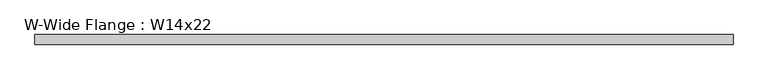
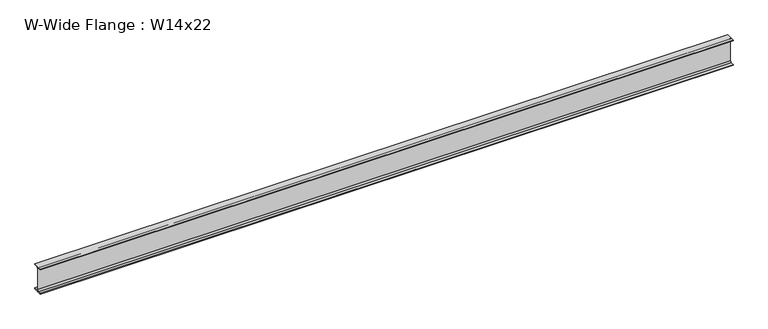
"""IFC4 building model written with IfcOpenShell, lengths in millimetres: beam geometry, W-Wide Flange : W14x22."""

import ifcopenshell
import ifcopenshell.guid

model = None  # the IFC model being written
_history = None  # IfcOwnerHistory: only IFC2X3 demands one
_inside = {}  # id of a spatial element -> (the spatial element, [elements in it])
_under = {}  # id of a project, library or spatial element -> (it, [spatial elements below it])
_declared = {}  # id of a project -> (the project, [libraries it declares])
_typed = {}  # id of a type object -> (the type object, [elements of that type])
_made_of = {}  # id of a material, layer set ... -> (it, [elements and type objects made of it])


def new_model(schema):
    """Start an empty IFC model of exactly this schema.

    Asked for "IFC4X3", IfcOpenShell would pick the latest addendum, in which some entities
    have other attributes; the version numbers below select the first issue.
    IFC2X3 requires an IfcOwnerHistory on every rooted entity: one is made here for all.
    """
    global model, _history
    if schema == "IFC4X3":
        model = ifcopenshell.file(schema_version=(4, 3, 0, 0))
    else:
        model = ifcopenshell.file(schema=schema)
    _inside.clear()
    _under.clear()
    _declared.clear()
    _typed.clear()
    _made_of.clear()
    _history = None
    if model.schema == "IFC2X3":
        org = make("IfcOrganization", Name="unknown")
        user = make(
            "IfcPersonAndOrganization",
            ThePerson=make("IfcPerson", FamilyName="unknown"),
            TheOrganization=org,
        )
        app = make(
            "IfcApplication",
            ApplicationDeveloper=org,
            Version="unknown",
            ApplicationFullName="unknown",
            ApplicationIdentifier="unknown",
        )
        _history = make(
            "IfcOwnerHistory",
            OwningUser=user,
            OwningApplication=app,
            ChangeAction="ADDED",
            CreationDate=0,
        )
    return model


def make(cls, **values):
    """One entity of the class cls with the attributes given. An attribute that is None is left unset."""
    return model.create_entity(
        cls, **{name: value for name, value in values.items() if value is not None}
    )


def rooted(cls, **values):
    """An entity with a GlobalId (a new one), such as an element, a storey or a relation."""
    return make(cls, GlobalId=ifcopenshell.guid.new(), OwnerHistory=_history, **values)


def si_unit(unit_type, name, prefix=None):
    """IfcSIUnit, for example si_unit("LENGTHUNIT", "METRE", prefix="MILLI")."""
    return make("IfcSIUnit", UnitType=unit_type, Prefix=prefix, Name=name)


def assignment(units):
    """IfcUnitAssignment: the units of a project."""
    return None if units is None else make("IfcUnitAssignment", Units=units)


def point(xyz):
    """IfcCartesianPoint."""
    return None if xyz is None else make("IfcCartesianPoint", Coordinates=xyz)


def direction(xyz):
    """IfcDirection."""
    return None if xyz is None else make("IfcDirection", DirectionRatios=xyz)


def frame(location, z_axis=None, x_axis=None):
    """IfcAxis2Placement3D, a coordinate frame: its origin and axes. An axis left out is left unset."""
    return make(
        "IfcAxis2Placement3D",
        Location=point(location),
        Axis=direction(z_axis),
        RefDirection=direction(x_axis),
    )


def frame_2d(location, x_axis=None):
    """IfcAxis2Placement2D, a coordinate frame in the plane: its origin and x axis."""
    return make(
        "IfcAxis2Placement2D", Location=point(location), RefDirection=direction(x_axis)
    )


def origin():
    """The frame at (0, 0, 0) with its axes left unset."""
    return frame((0.0, 0.0, 0.0))


def place(relative_to, where):
    """IfcLocalPlacement: puts the frame where relative to a parent placement (None: the world)."""
    return make(
        "IfcLocalPlacement", PlacementRelTo=relative_to, RelativePlacement=where
    )


def context(
    kind, dimensions, precision=None, world=None, true_north=None, identifier=None
):
    """IfcGeometricRepresentationContext, for example the 3D "Model" context."""
    return make(
        "IfcGeometricRepresentationContext",
        ContextIdentifier=identifier,
        ContextType=kind,
        CoordinateSpaceDimension=dimensions,
        Precision=precision,
        WorldCoordinateSystem=world,
        TrueNorth=true_north,
    )


def project(units=None, contexts=None):
    """IfcProject with its units and contexts."""
    return rooted(
        "IfcProject",
        Name="project",
        RepresentationContexts=contexts,
        UnitsInContext=assignment(units),
    )


def spatial(cls, under=None, at=None, **own):
    """A site, building, storey or space (cls), placed at a placement, below another one or the project."""
    s = rooted(cls, ObjectPlacement=at, **own)
    if under is not None:
        _under.setdefault(under.id(), (under, []))[1].append(s)
    return s


def polyline(points):
    """IfcPolyline through the points."""
    return make("IfcPolyline", Points=[point(p) for p in points])


def circle_curve(where, radius):
    """IfcCircle in the frame where."""
    return make("IfcCircle", Position=where, Radius=radius)


def trimmed(basis, trim1, trim2, sense, master):
    """IfcTrimmedCurve: the piece of a basis curve between two trims."""
    return make(
        "IfcTrimmedCurve",
        BasisCurve=basis,
        Trim1=trim1,
        Trim2=trim2,
        SenseAgreement=sense,
        MasterRepresentation=master,
    )


def segment(curve, same_sense, transition):
    """IfcCompositeCurveSegment."""
    return make(
        "IfcCompositeCurveSegment",
        Transition=transition,
        SameSense=same_sense,
        ParentCurve=curve,
    )


def composite_curve(segments, self_intersect=None):
    """IfcCompositeCurve: segments joined end to end."""
    return make("IfcCompositeCurve", Segments=segments, SelfIntersect=self_intersect)


def outline(outer, holes=None, kind="AREA"):
    """IfcArbitraryClosedProfileDef: a profile drawn as a closed curve; with holes, ...WithVoids."""
    if holes is None:
        return make("IfcArbitraryClosedProfileDef", ProfileType=kind, OuterCurve=outer)
    return make(
        "IfcArbitraryProfileDefWithVoids",
        ProfileType=kind,
        OuterCurve=outer,
        InnerCurves=holes,
    )


def extrude(swept, where, along, depth):
    """IfcExtrudedAreaSolid: the profile swept, set in the frame where, extruded along a direction by depth."""
    return make(
        "IfcExtrudedAreaSolid",
        SweptArea=swept,
        Position=where,
        ExtrudedDirection=direction(along),
        Depth=depth,
    )


def shape(context_of_items, identifier, shape_type, items):
    """IfcShapeRepresentation: the items that make up one representation, for example the "Body"."""
    return make(
        "IfcShapeRepresentation",
        ContextOfItems=context_of_items,
        RepresentationIdentifier=identifier,
        RepresentationType=shape_type,
        Items=items,
    )


def source(mapping_origin, context_of_items, identifier, shape_type, items):
    """IfcRepresentationMap: a shape defined once, which mapped items show again and again."""
    return make(
        "IfcRepresentationMap",
        MappingOrigin=mapping_origin,
        MappedRepresentation=shape(context_of_items, identifier, shape_type, items),
    )


def transform(
    local_origin,
    x_axis=None,
    y_axis=None,
    z_axis=None,
    scale=None,
    scale2=None,
    scale3=None,
    uniform=True,
):
    """IfcCartesianTransformationOperator3D, or its non-uniform kind. x_axis, y_axis, z_axis: its Axis1, 2, 3."""
    if uniform:
        return make(
            "IfcCartesianTransformationOperator3D",
            Axis1=direction(x_axis),
            Axis2=direction(y_axis),
            LocalOrigin=point(local_origin),
            Scale=scale,
            Axis3=direction(z_axis),
        )
    return make(
        "IfcCartesianTransformationOperator3DnonUniform",
        Axis1=direction(x_axis),
        Axis2=direction(y_axis),
        LocalOrigin=point(local_origin),
        Scale=scale,
        Axis3=direction(z_axis),
        Scale2=scale2,
        Scale3=scale3,
    )


def mapped(mapping_source, mapping_target):
    """IfcMappedItem: shows the shape of a source again, moved by a transform."""
    return make(
        "IfcMappedItem", MappingSource=mapping_source, MappingTarget=mapping_target
    )


def made_of(thing, what):
    """Note that an element or type object is made of a material, layer set ...; save() writes the relation."""
    if what is not None:
        _made_of.setdefault(what.id(), (what, []))[1].append(thing)
    return thing


def element(
    cls,
    number,
    at=None,
    inside=None,
    cuts=None,
    type_object=None,
    material=None,
    context=None,
    identifier="Body",
    shape_type=None,
    held_by="IfcProductDefinitionShape",
    body=None,
    shapes=None,
    **own,
):
    """One element of the class cls, such as IfcWall. Its Tag is "e" and its number.

    at: its placement. inside: the storey or other place that contains it. cuts: it is an
    opening in that element (IfcRelVoidsElement). A single representation is given by context,
    identifier, shape_type and body (its items); several are given by shapes. held_by: the class
    of the entity that holds the representations. save() writes the other relations.
    """
    e = rooted(cls, Tag="e%d" % number, ObjectPlacement=at, **own)
    if body is not None:
        shapes = [shape(context, identifier, shape_type, body)]
    if shapes is not None:
        e.Representation = make(held_by, Representations=shapes)
    if inside is not None:
        _inside.setdefault(inside.id(), (inside, []))[1].append(e)
    if cuts is not None:
        rooted(
            "IfcRelVoidsElement", RelatingBuildingElement=cuts, RelatedOpeningElement=e
        )
    if type_object is not None:
        _typed.setdefault(type_object.id(), (type_object, []))[1].append(e)
    return made_of(e, material)


def aggregate(whole, parts):
    """IfcRelAggregates: a whole, such as a stair, and the parts it consists of."""
    return rooted("IfcRelAggregates", RelatingObject=whole, RelatedObjects=parts)


def save(model, path):
    """Write the relations noted so far, then the file.

    IfcRelAggregates (storeys below a building ...), IfcRelContainedInSpatialStructure (elements
    in a storey), IfcRelDefinesByType, IfcRelAssociatesMaterial and IfcRelDeclares: one each for
    every whole, place, type object, material and project.
    """
    for whole, parts in _under.values():
        aggregate(whole, parts)
    for where, things in _inside.values():
        rooted(
            "IfcRelContainedInSpatialStructure",
            RelatedElements=things,
            RelatingStructure=where,
        )
    for kind, things in _typed.values():
        rooted("IfcRelDefinesByType", RelatedObjects=things, RelatingType=kind)
    for what, things in _made_of.values():
        rooted("IfcRelAssociatesMaterial", RelatedObjects=things, RelatingMaterial=what)
    for by, libraries in _declared.values():
        rooted("IfcRelDeclares", RelatingContext=by, RelatedDefinitions=libraries)
    model.write(path)


def w_wide_flange_w14x22_e79b83f6(model_context):
    return source(origin(), model_context, "Body", "SweptSolid", [
        extrude(outline(composite_curve([segment(polyline([(63.5, -165.481), (63.5, -173.99), (-63.5, -173.99), (-63.5, -165.481), (-21.3995, -165.481)]), True, "CONTINUOUS"), segment(trimmed(circle_curve(frame_2d((-21.3995, -147.0025)), 18.4785), [point((-21.3995, -165.481))], [point((-2.921, -147.0025))], True, "CARTESIAN"), True, "CONTINUOUS"), segment(polyline([(-2.921, -147.0025), (-2.921, 147.0025)]), True, "CONTINUOUS"), segment(trimmed(circle_curve(frame_2d((-21.3995, 147.0025)), 18.4785), [point((-2.921, 147.0025))], [point((-21.3995, 165.481))], True, "CARTESIAN"), True, "CONTINUOUS"), segment(polyline([(-21.3995, 165.481), (-63.5, 165.481), (-63.5, 173.99), (63.5, 173.99), (63.5, 165.481), (21.3995, 165.481)]), True, "CONTINUOUS"), segment(trimmed(circle_curve(frame_2d((21.3995, 147.0025)), 18.4785), [point((21.3995, 165.481))], [point((2.921, 147.0025))], True, "CARTESIAN"), True, "CONTINUOUS"), segment(polyline([(2.921, 147.0025), (2.921, -147.0025)]), True, "CONTINUOUS"), segment(trimmed(circle_curve(frame_2d((21.3995, -147.0025)), 18.4785), [point((2.921, -147.0025))], [point((21.3995, -165.481))], True, "CARTESIAN"), True, "CONTINUOUS"), segment(polyline([(21.3995, -165.481), (63.5, -165.481)]), True, "CONTINUOUS")], self_intersect=False)), frame((-4603.741836, 0.0, 0.0), z_axis=(1.0, 0.0, 0.0), x_axis=(0.0, 1.0, 0.0)), (0.0, 0.0, 1.0), 9214.7559385),
    ])


if __name__ == "__main__":
    model = new_model("IFC4")
    model_context = context("Model", 3, world=origin())
    ifc_project = project(units=[si_unit("LENGTHUNIT", "METRE", prefix="MILLI")], contexts=[model_context])
    site = spatial("IfcSite", under=ifc_project)
    building = spatial("IfcBuilding", under=site)
    placement = place(None, origin())
    w_wide_flange_w14x22_shape = w_wide_flange_w14x22_e79b83f6(model_context)
    element("IfcBeam", 1, ObjectType="W-Wide Flange : W14x22", at=placement, inside=building, context=model_context, shape_type="MappedRepresentation", body=[
        mapped(w_wide_flange_w14x22_shape, transform((0.0, 0.0, 0.0), x_axis=(1.0, 0.0, 0.0), y_axis=(0.0, 1.0, 0.0), z_axis=(0.0, 0.0, 1.0))),
    ])
    save(model, "model.ifc")
